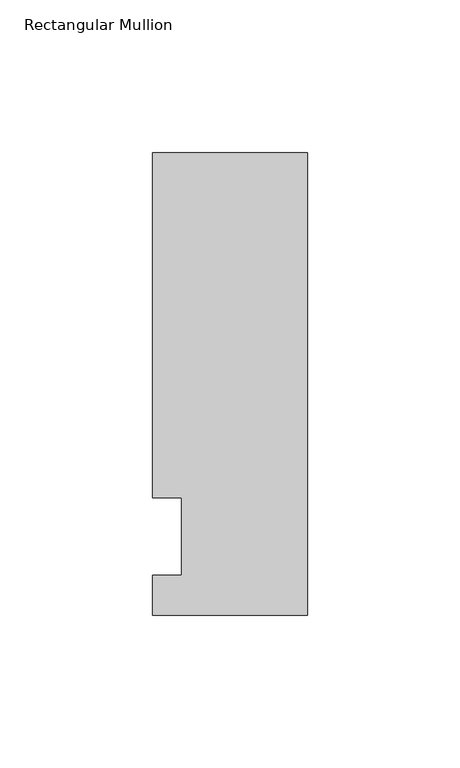
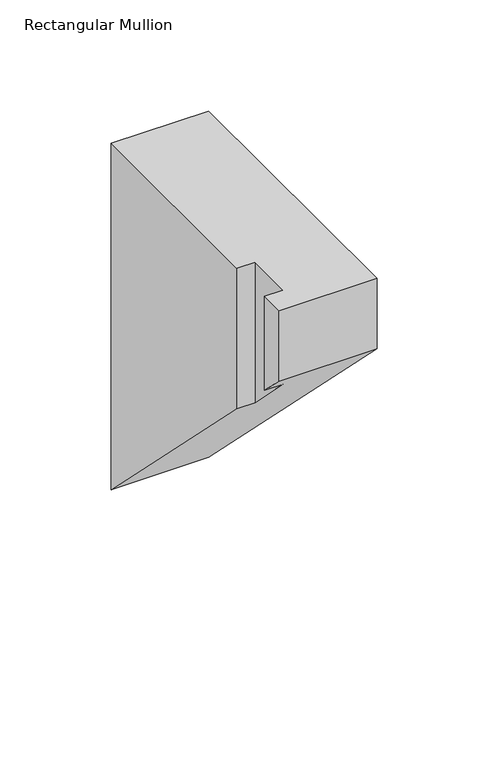
"""IFC4 building model written with IfcOpenShell, lengths in millimetres: member geometry, Rectangular Mullion."""

from ifc_helpers import new_model, si_unit, origin, place, context, project, spatial, faceted_brep, source, transform, mapped, element, save


def rectangular_mullion_d7ab98f4(model_context):
    return source(origin(), model_context, "Body", "Brep", [
        faceted_brep([(-50.8, -25.7961253, 0.0), (0.0, -25.7961253, 0.0), (0.0, 125.8036906, 0.0), (-50.8, 125.8036906, 0.0), (-50.8, 12.7, 0.0), (-41.275, 12.7, 0.0), (-41.275, -12.7, 0.0), (-50.8, -12.7, 0.0), (-50.8, -25.7961253, -38.6500247), (0.0, -25.7961253, -38.6500247), (0.0, 125.8036906, -190.2498406), (-50.8, 125.8036906, -190.2498406), (-50.8, 12.7, -77.14615), (-41.275, 12.7, -77.14615), (-41.275, -12.7, -51.74615), (-50.8, -12.7, -51.74615)], [[[0, 1, 2, 3, 4, 5, 6, 7]], [[1, 0, 8, 9]], [[2, 1, 9, 10]], [[3, 2, 10, 11]], [[4, 3, 11, 12]], [[5, 4, 12, 13]], [[6, 5, 13, 14]], [[7, 6, 14, 15]], [[0, 7, 15, 8]], [[8, 15, 14, 13, 12, 11, 10, 9]]]),
    ])


if __name__ == "__main__":
    model = new_model("IFC4")
    model_context = context("Model", 3, world=origin())
    ifc_project = project(units=[si_unit("LENGTHUNIT", "METRE", prefix="MILLI")], contexts=[model_context])
    site = spatial("IfcSite", under=ifc_project)
    building = spatial("IfcBuilding", under=site)
    placement = place(None, origin())
    rectangular_mullion_shape = rectangular_mullion_d7ab98f4(model_context)
    element("IfcMember", 1, ObjectType="Rectangular Mullion", at=placement, inside=building, context=model_context, shape_type="MappedRepresentation", body=[
        mapped(rectangular_mullion_shape, transform((0.0, 0.0, 0.0), x_axis=(1.0, 0.0, 0.0), y_axis=(0.0, 1.0, 0.0), z_axis=(0.0, 0.0, 1.0))),
    ])
    save(model, "model.ifc")
